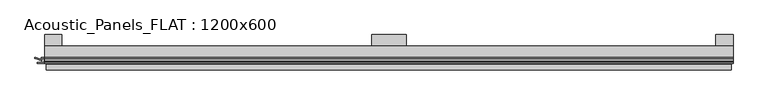
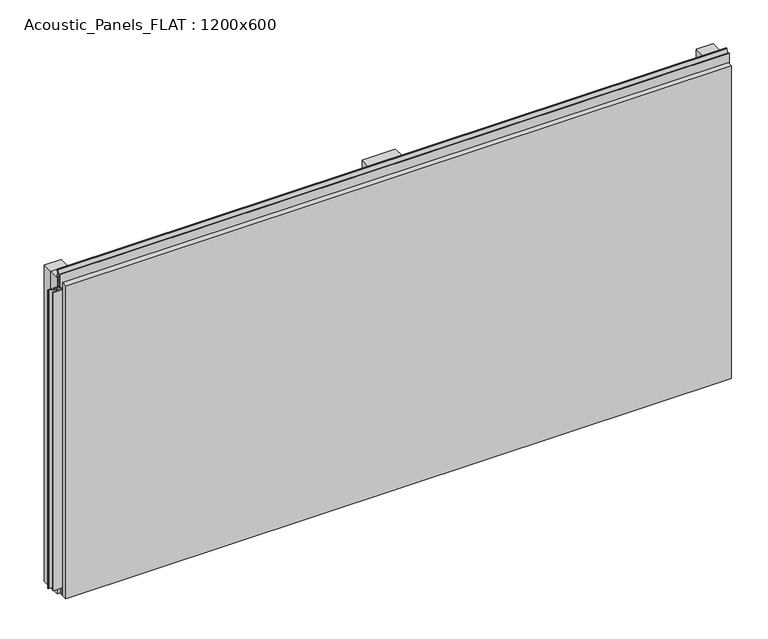
"""IFC4 building model written with IfcOpenShell, lengths in millimetres: plate geometry, Acoustic_Panels_FLAT : 1200x600."""

from ifc_helpers import new_model, si_unit, frame, origin, origin_with_axes, place, context, project, spatial, polyline, outline, extrude, faceted_brep, source, transform, mapped, element, save


def acoustic_panels_flat_1200x600_0d2e9e84(model_context):
    return source(origin(), model_context, "Body", "SolidModel", [
        extrude(outline(polyline([(-600.0, -40.0), (-600.0, -20.0), (600.0, -20.0), (600.0, -40.0), (-600.0, -40.0)])), frame((0.0, 0.0, 570.0), z_axis=(0.0, 0.0, 1.0), x_axis=(1.0, 0.0, 0.0)), (0.0, 0.0, 1.0), 30.0),
        extrude(outline(polyline([(-600.0, -40.0), (-600.0, -20.0), (600.0, -20.0), (600.0, -40.0), (-600.0, -40.0)])), origin_with_axes(), (0.0, 0.0, 1.0), 30.0),
        extrude(outline(polyline([(570.0, 0.0), (600.0, 0.0), (600.0, -20.0), (570.0, -20.0), (570.0, 0.0)])), origin_with_axes(), (0.0, 0.0, 1.0), 600.0),
        extrude(outline(polyline([(30.0, 0.0), (30.0, -20.0), (-30.0, -20.0), (-30.0, 0.0), (30.0, 0.0)])), origin_with_axes(), (0.0, 0.0, 1.0), 600.0),
        extrude(outline(polyline([(-570.0, 0.0), (-570.0, -20.0), (-600.0, -20.0), (-600.0, 0.0), (-570.0, 0.0)])), origin_with_axes(), (0.0, 0.0, 1.0), 600.0),
        extrude(outline(polyline([(-600.899084, -48.7), (-600.899084, -41.4), (-604.899084, -41.4), (-604.899084, -45.5140545), (-615.5703394, -41.4553267), (-616.9558599, -41.4553267), (-616.9558599, -40.0553267), (-615.3558599, -40.0553267), (-606.299084, -43.5), (-606.299084, -40.0), (-593.700916, -40.0), (-593.700916, -43.5), (-584.6441401, -40.0553267), (-583.0441401, -40.0553267), (-583.0441401, -41.4553267), (-584.4296606, -41.4553267), (-595.100916, -45.5140545), (-595.100916, -41.4), (-599.100916, -41.4), (-599.100916, -48.7), (-587.100916, -48.7), (-587.100916, -50.1), (-612.899084, -50.1), (-612.899084, -48.7), (-600.899084, -48.7)])), frame((0.0, 0.0, 16.9558599), z_axis=(0.0, 0.0, 1.0), x_axis=(1.0, 0.0, 0.0)), (0.0, 0.0, 1.0), 566.0882802),
        extrude(outline(polyline([(-48.7, 600.899084), (-41.4, 600.899084), (-41.4, 604.899084), (-45.5140545, 604.899084), (-41.4553267, 615.5703394), (-41.4553267, 616.9558599), (-40.0553267, 616.9558599), (-40.0553267, 615.3558599), (-43.5, 606.299084), (-40.0, 606.299084), (-40.0, 593.700916), (-43.5, 593.700916), (-40.0553267, 584.6441401), (-40.0553267, 583.0441401), (-41.4553267, 583.0441401), (-41.4553267, 584.4296606), (-45.5140545, 595.100916), (-41.4, 595.100916), (-41.4, 599.100916), (-48.7, 599.100916), (-48.7, 587.100916), (-50.1, 587.100916), (-50.1, 612.899084), (-48.7, 612.899084), (-48.7, 600.899084)])), frame((-600.0, 0.0, 0.0), z_axis=(1.0, 0.0, 0.0), x_axis=(0.0, 1.0, 0.0)), (0.0, 0.0, 1.0), 1200.0),
        faceted_brep([(597.0, -45.9, 597.0), (-597.0, -45.9, 597.0), (-597.0, -48.7, 597.0), (597.0, -48.7, 597.0), (-597.0, -61.9, 597.0), (597.0, -61.9, 597.0), (597.0, -51.9, 597.0), (-597.0, -51.9, 597.0), (-597.0, -45.9, 3.0), (597.0, -45.9, 3.0), (597.0, -48.7, 3.0), (-597.0, -48.7, 3.0), (597.0, -61.9, 3.0), (-597.0, -61.9, 3.0), (-597.0, -51.9, 3.0), (597.0, -51.9, 3.0), (585.0, -51.9, 585.0), (585.0, -51.9, 15.0), (585.0, -48.7, 15.0), (585.0, -48.7, 585.0), (-585.0, -51.9, 15.0), (-585.0, -48.7, 15.0), (-585.0, -51.9, 585.0), (-585.0, -48.7, 585.0)], [[[0, 1, 2, 3]], [[4, 5, 6, 7]], [[8, 9, 10, 11]], [[12, 13, 14, 15]], [[1, 0, 9, 8]], [[1, 8, 11, 2]], [[13, 4, 7, 14]], [[5, 4, 13, 12]], [[9, 0, 3, 10]], [[5, 12, 15, 6]], [[16, 17, 18, 19]], [[18, 17, 20, 21]], [[21, 20, 22, 23]], [[16, 19, 23, 22]], [[7, 6, 15, 14], [17, 16, 22, 20]], [[3, 2, 11, 10], [19, 18, 21, 23]]]),
    ])


if __name__ == "__main__":
    model = new_model("IFC4")
    model_context = context("Model", 3, world=origin())
    ifc_project = project(units=[si_unit("LENGTHUNIT", "METRE", prefix="MILLI")], contexts=[model_context])
    site = spatial("IfcSite", under=ifc_project)
    building = spatial("IfcBuilding", under=site)
    placement = place(None, origin())
    acoustic_panels_flat_1200x600_shape = acoustic_panels_flat_1200x600_0d2e9e84(model_context)
    element("IfcPlate", 1, ObjectType="Acoustic_Panels_FLAT : 1200x600", at=placement, inside=building, context=model_context, shape_type="MappedRepresentation", body=[
        mapped(acoustic_panels_flat_1200x600_shape, transform((0.0, 0.0, 0.0), x_axis=(1.0, 0.0, 0.0), y_axis=(0.0, 1.0, 0.0), z_axis=(0.0, 0.0, 1.0))),
    ])
    save(model, "model.ifc")
